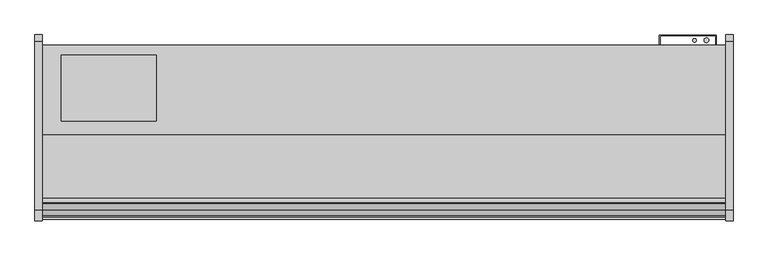
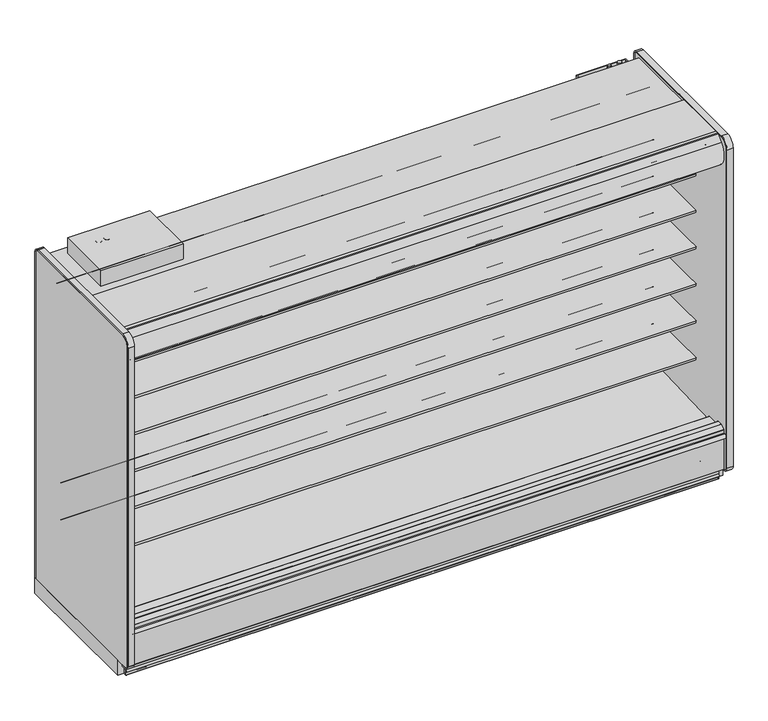
"""IFC4 building model written with IfcOpenShell, lengths in millimetres: proxy geometry."""

from ifc_helpers import new_model, si_unit, point, frame, frame_2d, origin, origin_with_axes, place, context, project, spatial, polyline, circle_curve, ellipse_curve, trimmed, segment, composite_curve, outline, extrude, source, transform, mapped, element, save
from ifc_brep_helpers import plane_surface, cylinder_surface, revolved_surface, advanced_brep


def mechanical_equipment_f1c0632d(model_context):
    return source(origin(), model_context, "Body", "SolidModel", [
        extrude(outline(composite_curve([segment(polyline([(-1274.0829637, 2251.075), (-1294.3336241, 2251.075)]), True, "CONTINUOUS"), segment(trimmed(circle_curve(frame_2d((-1294.3336241, 2246.6009255)), 4.4740745), [point((-1294.3336241, 2251.075))], [point((-1297.552004, 2249.7088788))], True, "CARTESIAN"), True, "CONTINUOUS"), segment(polyline([(-1297.552004, 2249.7088788), (-1332.8788425, 2213.1268666)]), True, "CONTINUOUS"), segment(trimmed(circle_curve(frame_2d((-1260.597853, 2143.3259263)), 100.4824), [point((-1332.8788425, 2213.1268666))], [point((-1341.3700905, 2203.0968084))], True, "CARTESIAN"), True, "CONTINUOUS"), segment(trimmed(circle_curve(frame_2d((-1260.597853, 2143.3259263)), 100.4824), [point((-1341.3700905, 2203.0968084))], [point((-1334.0860282, 2074.7970943))], True, "CARTESIAN"), True, "CONTINUOUS"), segment(trimmed(circle_curve(frame_2d((-1330.2592931, 2078.3655825)), 5.2324), [point((-1334.0860282, 2074.7970943))], [point((-1326.5594275, 2074.665717))], True, "CARTESIAN"), True, "CONTINUOUS"), segment(polyline([(-1326.5594275, 2074.665717), (-1319.9858801, 2081.2392645), (-1318.5490391, 2079.8024235), (-1325.1225866, 2073.228876)]), True, "CONTINUOUS"), segment(trimmed(circle_curve(frame_2d((-1330.2592931, 2078.3655825)), 7.2644), [point((-1325.1225866, 2073.228876))], [point((-1335.5721389, 2073.4112736))], False, "CARTESIAN"), True, "CONTINUOUS"), segment(trimmed(circle_curve(frame_2d((-1260.597853, 2143.3259263)), 102.5144), [point((-1335.5721389, 2073.4112736))], [point((-1334.340541, 2214.5384124))], False, "CARTESIAN"), True, "CONTINUOUS"), segment(polyline([(-1334.340541, 2214.5384124), (-1299.7047357, 2250.4048387)]), True, "CONTINUOUS"), segment(trimmed(circle_curve(frame_2d((-1294.4791637, 2245.3585624)), 7.2644), [point((-1299.7047357, 2250.4048387))], [point((-1294.4791637, 2252.6229624))], False, "CARTESIAN"), True, "CONTINUOUS"), segment(polyline([(-1294.4791637, 2252.6229624), (-1274.0829637, 2252.6229624), (-1274.0829637, 2251.075)]), True, "CONTINUOUS")], self_intersect=False)), frame((0.0, 0.0, 0.0), z_axis=(1.0, 0.0, 0.0), x_axis=(0.0, 1.0, 0.0)), (0.0, 0.0, 1.0), 3657.6),
        extrude(outline(composite_curve([segment(trimmed(circle_curve(frame_2d((-1254.7298559, 2115.8468051)), 11.1125), [point((-1265.8423507, 2115.8361068))], [point((-1243.617361, 2115.8575034))], False, "CARTESIAN"), True, "CONTINUOUS"), segment(trimmed(circle_curve(frame_2d((-1254.7298559, 2115.8468051)), 11.1125), [point((-1243.617361, 2115.8575034))], [point((-1265.8423507, 2115.8361068))], False, "CARTESIAN"), True, "CONTINUOUS")], self_intersect=False)), frame((0.0, 0.0, 0.0), z_axis=(1.0, 0.0, 0.0), x_axis=(0.0, 1.0, 0.0)), (0.0, 0.0, 1.0), 3657.6),
        extrude(outline(composite_curve([segment(trimmed(circle_curve(frame_2d((-1294.8804038, 2104.9918872)), 11.1125), [point((-1305.9928987, 2104.9811889))], [point((-1283.767909, 2105.0025854))], False, "CARTESIAN"), True, "CONTINUOUS"), segment(trimmed(circle_curve(frame_2d((-1294.8804038, 2104.9918872)), 11.1125), [point((-1283.767909, 2105.0025854))], [point((-1305.9928987, 2104.9811889))], False, "CARTESIAN"), True, "CONTINUOUS")], self_intersect=False)), frame((0.0, 0.0, 0.0), z_axis=(1.0, 0.0, 0.0), x_axis=(0.0, 1.0, 0.0)), (0.0, 0.0, 1.0), 3657.6),
        extrude(outline(polyline([(3302.0, -397.6671044), (3606.8, -397.6671044), (3606.8, -453.092873), (3603.625, -453.092873), (3603.625, -400.8421044), (3305.175, -400.8421044), (3305.175, -453.092873), (3302.0, -453.092873), (3302.0, -397.6671044)])), frame((0.0, 0.0, 237.9789513), z_axis=(0.0, 0.0, 1.0), x_axis=(1.0, 0.0, 0.0)), (0.0, 0.0, 1.0), 1972.9442436),
        extrude(outline(composite_curve([segment(polyline([(-450.2965273, 24.892), (-450.2965273, 5.1562)]), True, "CONTINUOUS"), segment(trimmed(circle_curve(frame_2d((-455.4527273, 5.1562)), 5.1562), [point((-450.2965273, 5.1562))], [point((-455.4527273, 0.0))], False, "CARTESIAN"), True, "CONTINUOUS"), segment(polyline([(-455.4527273, 0.0), (-490.3650273, 0.0)]), True, "CONTINUOUS"), segment(trimmed(circle_curve(frame_2d((-490.3650273, 5.1562)), 5.1562), [point((-490.3650273, 0.0))], [point((-495.5212273, 5.1562))], False, "CARTESIAN"), True, "CONTINUOUS"), segment(polyline([(-495.5212273, 5.1562), (-495.5212273, 19.7231)]), True, "CONTINUOUS"), segment(trimmed(circle_curve(frame_2d((-497.9088273, 19.7231)), 2.3876), [point((-495.5212273, 19.7231))], [point((-497.9088273, 22.1107))], True, "CARTESIAN"), True, "CONTINUOUS"), segment(polyline([(-497.9088273, 22.1107), (-509.1356273, 22.1107)]), True, "CONTINUOUS"), segment(trimmed(circle_curve(frame_2d((-509.1356273, 19.7231)), 2.3876), [point((-509.1356273, 22.1107))], [point((-511.5232273, 19.7231))], True, "CARTESIAN"), True, "CONTINUOUS"), segment(polyline([(-511.5232273, 19.7231), (-511.5232273, 4.2926), (-514.2918273, 4.2926), (-514.2918273, 19.7231)]), True, "CONTINUOUS"), segment(trimmed(circle_curve(frame_2d((-509.1356273, 19.7231)), 5.1562), [point((-514.2918273, 19.7231))], [point((-509.1356273, 24.8793))], False, "CARTESIAN"), True, "CONTINUOUS"), segment(polyline([(-509.1356273, 24.8793), (-497.9088273, 24.8793)]), True, "CONTINUOUS"), segment(trimmed(circle_curve(frame_2d((-497.9088273, 19.7231)), 5.1562), [point((-497.9088273, 24.8793))], [point((-492.7526273, 19.7231))], False, "CARTESIAN"), True, "CONTINUOUS"), segment(polyline([(-492.7526273, 19.7231), (-492.7526273, 5.1562)]), True, "CONTINUOUS"), segment(trimmed(circle_curve(frame_2d((-490.3650273, 5.1562)), 2.3876), [point((-492.7526273, 5.1562))], [point((-490.3650273, 2.7686))], True, "CARTESIAN"), True, "CONTINUOUS"), segment(polyline([(-490.3650273, 2.7686), (-455.4527273, 2.7686)]), True, "CONTINUOUS"), segment(trimmed(circle_curve(frame_2d((-455.4527273, 5.1562)), 2.3876), [point((-455.4527273, 2.7686))], [point((-453.0651273, 5.1562))], True, "CARTESIAN"), True, "CONTINUOUS"), segment(polyline([(-453.0651273, 5.1562), (-453.0651273, 24.892), (-450.2965273, 24.892)]), True, "CONTINUOUS")], self_intersect=False)), frame((0.0, 0.0, 0.0), z_axis=(1.0, 0.0, 0.0), x_axis=(0.0, 1.0, 0.0)), (0.0, 0.0, 1.0), 3657.6),
        extrude(outline(composite_curve([segment(polyline([(-1119.8151273, 105.16235), (-453.0963273, 105.16235), (-453.0963273, 5.1562)]), True, "CONTINUOUS"), segment(trimmed(circle_curve(frame_2d((-455.4839273, 5.1562)), 2.3876), [point((-453.0963273, 5.1562))], [point((-455.4839273, 2.7686))], False, "CARTESIAN"), True, "CONTINUOUS"), segment(polyline([(-455.4839273, 2.7686), (-488.0213273, 2.7686), (-488.0213273, 70.23735), (-1084.8901273, 70.23735), (-1084.8901273, 2.7686), (-1117.4275273, 2.7686)]), True, "CONTINUOUS"), segment(trimmed(circle_curve(frame_2d((-1117.4275273, 5.1562)), 2.3876), [point((-1117.4275273, 2.7686))], [point((-1119.8151273, 5.1562))], False, "CARTESIAN"), True, "CONTINUOUS"), segment(polyline([(-1119.8151273, 5.1562), (-1119.8151273, 105.16235)]), True, "CONTINUOUS")], self_intersect=False)), frame((0.0, 0.0, 0.0), z_axis=(1.0, 0.0, 0.0), x_axis=(0.0, 1.0, 0.0)), (0.0, 0.0, 1.0), 3657.6),
        extrude(outline(composite_curve([segment(trimmed(circle_curve(frame_2d((3457.2358045, -1169.1284613)), 12.7), [point((3444.5358045, -1169.1284613))], [point((3469.9358045, -1169.1284613))], False, "CARTESIAN"), True, "CONTINUOUS"), segment(trimmed(circle_curve(frame_2d((3457.2358045, -1169.1284613)), 12.7), [point((3469.9358045, -1169.1284613))], [point((3444.5358045, -1169.1284613))], False, "CARTESIAN"), True, "CONTINUOUS")], self_intersect=False)), origin_with_axes(), (0.0, 0.0, 1.0), 84.70392),
        extrude(outline(composite_curve([segment(trimmed(circle_curve(frame_2d((3413.4641955, -1169.1284613)), 9.525), [point((3403.9391955, -1169.1284613))], [point((3422.9891955, -1169.1284613))], False, "CARTESIAN"), True, "CONTINUOUS"), segment(trimmed(circle_curve(frame_2d((3413.4641955, -1169.1284613)), 9.525), [point((3422.9891955, -1169.1284613))], [point((3403.9391955, -1169.1284613))], False, "CARTESIAN"), True, "CONTINUOUS")], self_intersect=False)), origin_with_axes(), (0.0, 0.0, 1.0), 84.70392),
        extrude(outline(composite_curve([segment(trimmed(circle_curve(frame_2d((1828.8, -1177.0275273)), 38.1), [point((1790.7, -1177.0275273))], [point((1866.9, -1177.0275273))], False, "CARTESIAN"), True, "CONTINUOUS"), segment(trimmed(circle_curve(frame_2d((1828.8, -1177.0275273)), 38.1), [point((1866.9, -1177.0275273))], [point((1790.7, -1177.0275273))], False, "CARTESIAN"), True, "CONTINUOUS")], self_intersect=False)), origin_with_axes(), (0.0, 0.0, 1.0), 101.6),
        extrude(outline(composite_curve([segment(polyline([(-1303.8439273, 35.7124), (-1303.8439273, 56.3626001), (-1310.1939271, 58.3421778), (-1303.8439273, 70.6374), (-1303.8439273, 98.425)]), True, "CONTINUOUS"), segment(trimmed(circle_curve(frame_2d((-1303.1073273, 98.425)), 0.7366), [point((-1303.8439273, 98.425))], [point((-1303.1073273, 99.1616))], False, "CARTESIAN"), True, "CONTINUOUS"), segment(polyline([(-1303.1073273, 99.1616), (-1303.1073273, 1.524)]), True, "CONTINUOUS"), segment(trimmed(circle_curve(frame_2d((-1302.3199273, 1.524)), 0.7874), [point((-1303.1073273, 1.524))], [point((-1302.3199273, 0.7366))], True, "CARTESIAN"), True, "CONTINUOUS"), segment(polyline([(-1302.3199273, 0.7366), (-1299.2124308, 0.7366), (-1298.696658, 1.4732), (-1293.083258, 1.4732)]), True, "CONTINUOUS"), segment(trimmed(circle_curve(frame_2d((-1293.083258, 0.7366)), 0.7366), [point((-1293.083258, 1.4732))], [point((-1293.083258, 0.0))], False, "CARTESIAN"), True, "CONTINUOUS"), segment(polyline([(-1293.083258, 0.0), (-1302.3199273, 0.0)]), True, "CONTINUOUS"), segment(trimmed(circle_curve(frame_2d((-1302.3199273, 1.524)), 1.524), [point((-1302.3199273, 0.0))], [point((-1303.8439273, 1.524))], False, "CARTESIAN"), True, "CONTINUOUS"), segment(polyline([(-1303.8439273, 1.524), (-1303.8439273, 21.4376001), (-1310.1939271, 23.4171778), (-1303.8439273, 35.7124)]), True, "CONTINUOUS")], self_intersect=False)), frame((0.0, 0.0, 0.0), z_axis=(1.0, 0.0, 0.0), x_axis=(0.0, 1.0, 0.0)), (0.0, 0.0, 1.0), 3657.6),
        extrude(outline(composite_curve([segment(polyline([(-554.6455273, 571.5555799), (-573.0215473, 571.2431163)]), True, "CONTINUOUS"), segment(trimmed(circle_curve(frame_2d((-573.4533834, 596.6394451)), 25.4), [point((-573.0215473, 571.2431163))], [point((-589.4307397, 576.8939624))], False, "CARTESIAN"), True, "CONTINUOUS"), segment(polyline([(-589.4307397, 576.8939624), (-607.2828008, 591.339228)]), True, "CONTINUOUS"), segment(trimmed(circle_curve(frame_2d((-647.2261914, 541.9755212)), 63.5), [point((-607.2828008, 591.339228))], [point((-639.3283102, 604.9824531))], True, "CARTESIAN"), True, "CONTINUOUS"), segment(polyline([(-639.3283102, 604.9824531), (-929.9804321, 628.6795906), (-931.4692086, 632.1201427), (-1062.7611376, 632.1201427), (-1062.7611376, 646.3441427), (-554.6455273, 646.3441427), (-554.6455273, 571.5555799)]), True, "CONTINUOUS")], self_intersect=False)), frame((0.0, 0.0, 0.0), z_axis=(1.0, 0.0, 0.0), x_axis=(0.0, 1.0, 0.0)), (0.0, 0.0, 1.0), 3657.6),
        extrude(outline(composite_curve([segment(polyline([(-554.6455273, 812.8555799), (-573.0215473, 812.5431163)]), True, "CONTINUOUS"), segment(trimmed(circle_curve(frame_2d((-573.4533834, 837.9394451)), 25.4), [point((-573.0215473, 812.5431163))], [point((-589.4307397, 818.1939624))], False, "CARTESIAN"), True, "CONTINUOUS"), segment(polyline([(-589.4307397, 818.1939624), (-607.2828008, 832.639228)]), True, "CONTINUOUS"), segment(trimmed(circle_curve(frame_2d((-647.2261914, 783.2755212)), 63.5), [point((-607.2828008, 832.639228))], [point((-639.3283102, 846.2824531))], True, "CARTESIAN"), True, "CONTINUOUS"), segment(polyline([(-639.3283102, 846.2824531), (-929.9804321, 869.9795906), (-931.4692086, 873.4201427), (-1062.7611376, 873.4201427), (-1062.7611376, 887.6441427), (-554.6455273, 887.6441427), (-554.6455273, 812.8555799)]), True, "CONTINUOUS")], self_intersect=False)), frame((0.0, 0.0, 0.0), z_axis=(1.0, 0.0, 0.0), x_axis=(0.0, 1.0, 0.0)), (0.0, 0.0, 1.0), 3657.6),
        extrude(outline(composite_curve([segment(polyline([(-554.6455273, 1054.1555799), (-573.0215473, 1053.8431163)]), True, "CONTINUOUS"), segment(trimmed(circle_curve(frame_2d((-573.4533834, 1079.2394451)), 25.4), [point((-573.0215473, 1053.8431163))], [point((-589.4307397, 1059.4939624))], False, "CARTESIAN"), True, "CONTINUOUS"), segment(polyline([(-589.4307397, 1059.4939624), (-607.2828008, 1073.939228)]), True, "CONTINUOUS"), segment(trimmed(circle_curve(frame_2d((-647.2261914, 1024.5755212)), 63.5), [point((-607.2828008, 1073.939228))], [point((-639.3283102, 1087.5824531))], True, "CARTESIAN"), True, "CONTINUOUS"), segment(polyline([(-639.3283102, 1087.5824531), (-929.9804321, 1111.2795906), (-931.4692086, 1114.7201427), (-1062.7611376, 1114.7201427), (-1062.7611376, 1128.9441427), (-554.6455273, 1128.9441427), (-554.6455273, 1054.1555799)]), True, "CONTINUOUS")], self_intersect=False)), frame((0.0, 0.0, 0.0), z_axis=(1.0, 0.0, 0.0), x_axis=(0.0, 1.0, 0.0)), (0.0, 0.0, 1.0), 3657.6),
        extrude(outline(composite_curve([segment(polyline([(-554.6455273, 1295.5492695), (-573.0215473, 1295.2368059)]), True, "CONTINUOUS"), segment(trimmed(circle_curve(frame_2d((-573.4533834, 1320.6331347)), 25.4), [point((-573.0215473, 1295.2368059))], [point((-589.4307397, 1300.887652))], False, "CARTESIAN"), True, "CONTINUOUS"), segment(polyline([(-589.4307397, 1300.887652), (-607.2828008, 1315.3329175)]), True, "CONTINUOUS"), segment(trimmed(circle_curve(frame_2d((-647.2261914, 1265.9692108)), 63.5), [point((-607.2828008, 1315.3329175))], [point((-639.3283102, 1328.9761427))], True, "CARTESIAN"), True, "CONTINUOUS"), segment(polyline([(-639.3283102, 1328.9761427), (-929.9804321, 1352.6732801), (-931.4692086, 1356.1138322), (-1062.7611376, 1356.1138322), (-1062.7611376, 1370.3378322), (-554.6455273, 1370.3378322), (-554.6455273, 1295.5492695)]), True, "CONTINUOUS")], self_intersect=False)), frame((0.0, 0.0, 0.0), z_axis=(1.0, 0.0, 0.0), x_axis=(0.0, 1.0, 0.0)), (0.0, 0.0, 1.0), 3657.6),
        extrude(outline(composite_curve([segment(polyline([(-554.6455273, 1533.1653867), (-573.0215473, 1532.8529231)]), True, "CONTINUOUS"), segment(trimmed(circle_curve(frame_2d((-573.4533834, 1558.2492519)), 25.4), [point((-573.0215473, 1532.8529231))], [point((-589.4307397, 1538.5037692))], False, "CARTESIAN"), True, "CONTINUOUS"), segment(polyline([(-589.4307397, 1538.5037692), (-607.2828008, 1552.9490347)]), True, "CONTINUOUS"), segment(trimmed(circle_curve(frame_2d((-647.2261914, 1503.585328)), 63.5), [point((-607.2828008, 1552.9490347))], [point((-639.3283102, 1566.5922599))], True, "CARTESIAN"), True, "CONTINUOUS"), segment(polyline([(-639.3283102, 1566.5922599), (-929.9804321, 1590.2893973), (-931.4692086, 1593.7299494), (-1062.7611376, 1593.7299494), (-1062.7611376, 1607.9539494), (-554.6455273, 1607.9539494), (-554.6455273, 1533.1653867)]), True, "CONTINUOUS")], self_intersect=False)), frame((0.0, 0.0, 0.0), z_axis=(1.0, 0.0, 0.0), x_axis=(0.0, 1.0, 0.0)), (0.0, 0.0, 1.0), 3657.6),
        advanced_brep(
        [(3657.6, -1303.0997867, 105.16235), (3657.6, -1303.0997867, 12.46632), (3657.6, -1299.1373867, 8.50392), (3657.6, -1189.1400664, 8.50392), (3657.6, -1119.8463273, 27.0711214), (3657.6, -1119.8463273, 105.16235), (0.0, -1303.0997867, 105.16235), (0.0, -1119.8463273, 105.16235), (0.0, -1119.8463273, 27.0711214), (0.0, -1189.1400664, 8.50392), (0.0, -1299.1373867, 8.50392), (0.0, -1303.0997867, 12.46632), (127.0, -1303.0997867, 12.46632), (127.0, -1303.0997867, 70.23735), (638.175, -1303.0997867, 70.23735), (638.175, -1303.0997867, 12.46632), (638.175, -1299.1373867, 8.50392), (127.0, -1299.1373867, 8.50392), (638.175, -1291.5558487, 8.50392), (638.9243384, -1291.5558487, 8.50392), (638.9243384, -1191.2766487, 8.50392), (127.0127384, -1191.2766487, 8.50392), (1779.4651604, -1189.1400664, 8.50392), (1878.1348396, -1189.1400664, 8.50392), (3389.3885281, -1189.1400664, 8.50392), (3481.3114719, -1189.1400664, 8.50392), (3452.9433681, -1119.8463273, 27.0711214), (3452.9433681, -1119.8463273, 101.6), (3417.7566319, -1119.8463273, 101.6), (3417.7566319, -1119.8463273, 27.0711214), (127.0, -1291.5558487, 70.23735), (638.175, -1291.5558487, 70.23735), (127.0, -1191.2766487, 84.70392), (127.0, -1291.5558487, 84.70392), (3486.15, -1167.5025273, 14.3016811), (3384.55, -1167.5025273, 14.3016811), (1879.6, -1177.0275273, 11.7494651), (1778.0, -1177.0275273, 11.7494651), (3486.15, -1167.5025273, 101.6), (3384.55, -1167.5025273, 101.6), (1778.0, -1177.0275273, 101.6), (1879.6, -1177.0275273, 101.6), (638.9243384, -1191.2766487, 84.70392), (638.9243384, -1291.5558487, 84.70392)],
        [
            (0, 1),
            (1, 2, circle_curve(frame((3657.6, -1299.1373867, 12.46632), z_axis=(1.0, 0.0, 0.0), x_axis=(0.0, 1.0, 0.0)), 3.9624)),
            (2, 3),
            (3, 4),
            (4, 5),
            (5, 0),
            (6, 7),
            (7, 8),
            (8, 9),
            (9, 10),
            (10, 11, circle_curve(frame((0.0, -1299.1373867, 12.46632), z_axis=(-1.0, 0.0, 0.0), x_axis=(0.0, 1.0, 0.0)), 3.9624)),
            (11, 6),
            (0, 6),
            (11, 12),
            (12, 13),
            (13, 14),
            (14, 15),
            (15, 1),
            (15, 16, circle_curve(frame((638.175, -1299.1373867, 12.46632), z_axis=(1.0, 0.0, 0.0), x_axis=(0.0, 1.0, 0.0)), 3.9624)),
            (16, 2),
            (10, 17),
            (17, 12, circle_curve(frame((127.0, -1299.1373867, 12.46632), z_axis=(-1.0, 0.0, 0.0), x_axis=(0.0, 1.0, 0.0)), 3.9624)),
            (16, 18),
            (18, 19),
            (19, 20),
            (20, 21),
            (21, 17),
            (9, 22),
            (22, 23, circle_curve(frame((1828.8, -1177.0275273, 8.50392), z_axis=(0.0, 0.0, 1.0), x_axis=(1.0, 0.0, 0.0)), 50.8)),
            (23, 24),
            (24, 25, circle_curve(frame((3435.35, -1167.5025273, 8.50392), z_axis=(0.0, 0.0, 1.0), x_axis=(1.0, 0.0, 0.0)), 50.8)),
            (25, 3),
            (4, 26),
            (26, 27),
            (27, 28),
            (28, 29),
            (29, 8),
            (7, 5),
            (13, 30),
            (30, 31),
            (31, 14),
            (21, 32),
            (32, 33),
            (33, 30),
            (31, 18),
            (25, 34, ellipse_curve(frame((3435.35, -1167.5025273, 14.3016811), z_axis=(0.0, -0.2588190451025241, 0.9659258262890674), x_axis=(0.0, 0.9659258262890675, 0.25881904510252396)), 52.59203, 50.8)),
            (34, 26, ellipse_curve(frame((3435.35, -1167.5025273, 14.3016811), z_axis=(0.0, -0.2588190451025241, 0.9659258262890674), x_axis=(0.0, 0.9659258262890675, 0.25881904510252396)), 52.59203, 50.8)),
            (29, 35, ellipse_curve(frame((3435.35, -1167.5025273, 14.3016811), z_axis=(0.0, -0.2588190451025241, 0.9659258262890674), x_axis=(0.0, 0.9659258262890675, 0.25881904510252396)), 52.59203, 50.8)),
            (35, 24, ellipse_curve(frame((3435.35, -1167.5025273, 14.3016811), z_axis=(0.0, -0.2588190451025241, 0.9659258262890674), x_axis=(0.0, 0.9659258262890675, 0.25881904510252396)), 52.59203, 50.8)),
            (23, 36, ellipse_curve(frame((1828.8, -1177.0275273, 11.7494651), z_axis=(0.0, -0.2588190451025241, 0.9659258262890674), x_axis=(0.0, 0.9659258262890675, 0.25881904510252396)), 52.59203, 50.8)),
            (36, 37, ellipse_curve(frame((1828.8, -1177.0275273, 11.7494651), z_axis=(0.0, -0.2588190451025241, 0.9659258262890674), x_axis=(0.0, 0.9659258262890675, 0.25881904510252396)), 52.59203, 50.8)),
            (37, 22, ellipse_curve(frame((1828.8, -1177.0275273, 11.7494651), z_axis=(0.0, -0.2588190451025241, 0.9659258262890674), x_axis=(0.0, 0.9659258262890675, 0.25881904510252396)), 52.59203, 50.8)),
            (38, 39, circle_curve(frame((3435.35, -1167.5025273, 101.6), z_axis=(0.0, 0.0, -1.0), x_axis=(1.0, 0.0, 0.0)), 50.8)),
            (39, 28, circle_curve(frame((3435.35, -1167.5025273, 101.6), z_axis=(0.0, 0.0, -1.0), x_axis=(1.0, 0.0, 0.0)), 50.8)),
            (27, 38, circle_curve(frame((3435.35, -1167.5025273, 101.6), z_axis=(0.0, 0.0, -1.0), x_axis=(1.0, 0.0, 0.0)), 50.8)),
            (38, 34),
            (35, 39),
            (40, 41, circle_curve(frame((1828.8, -1177.0275273, 101.6), z_axis=(0.0, 0.0, -1.0), x_axis=(1.0, 0.0, 0.0)), 50.8)),
            (41, 40, circle_curve(frame((1828.8, -1177.0275273, 101.6), z_axis=(0.0, 0.0, -1.0), x_axis=(1.0, 0.0, 0.0)), 50.8)),
            (41, 36),
            (37, 40),
            (42, 43),
            (43, 33),
            (32, 42),
            (20, 42),
            (43, 19),
        ],
        [
            plane_surface(frame((3657.6, -1303.0997867, 12.46632), z_axis=(1.0, 0.0, 0.0), x_axis=(0.0, 0.0, -1.0))),
            plane_surface(frame((0.0, -1303.0997867, 12.46632), z_axis=(-1.0, 0.0, 0.0), x_axis=(0.0, 0.0, 1.0))),
            plane_surface(frame((3657.6, -1303.0997867, 105.16235), z_axis=(0.0, -1.0, 0.0), x_axis=(-1.0, 0.0, 0.0))),
            cylinder_surface(frame((0.0, -1299.1373867, 12.46632), z_axis=(1.0, 0.0, 0.0), x_axis=(0.0, 1.0, 0.0)), 3.9624),
            plane_surface(frame((3657.6, -1299.1373867, 8.50392), z_axis=(0.0, 0.0, -1.0), x_axis=(-1.0, 0.0, 0.0))),
            plane_surface(frame((3657.6, -1119.8463273, 27.0711214), z_axis=(0.0, 1.0, 0.0), x_axis=(-1.0, 0.0, 0.0))),
            plane_surface(frame((3657.6, -1119.8463273, 105.16235), z_axis=(0.0, 0.0, 1.0), x_axis=(-1.0, 0.0, 0.0))),
            plane_surface(frame((127.0, -1266.0481044, 70.23735), z_axis=(0.0, 0.0, -1.0), x_axis=(-1.0, 0.0, 0.0))),
            plane_surface(frame((127.0, -1266.0481044, 70.23735), z_axis=(1.0, 0.0, 0.0), x_axis=(0.0, 0.0, -1.0))),
            plane_surface(frame((638.175, -1367.6481044, 70.23735), z_axis=(-1.0, 0.0, 0.0), x_axis=(0.0, 0.0, -1.0))),
            plane_surface(frame((3657.6, -1189.1400664, 8.50392), z_axis=(0.0, 0.2588190451025241, -0.9659258262890674), x_axis=(-1.0, 0.0, 0.0))),
            plane_surface(frame((3486.15, -1167.5025273, 101.6), z_axis=(0.0, 0.0, -1.0), x_axis=(0.0, 1.0, 0.0))),
            revolved_surface(polyline([(3486.15, -1167.5025273, 101.6), (3486.15, -1167.5025273, 0.689862115396707)]), (3435.35, -1167.5025273, 0.0), (0.0, 0.0, 1.0)),
            plane_surface(frame((1879.6, -1177.0275273, 101.6), z_axis=(0.0, 0.0, -1.0), x_axis=(0.0, 1.0, 0.0))),
            revolved_surface(polyline([(1879.6, -1177.0275273, 101.6), (1879.6, -1177.0275273, -1.8623538846032925)]), (1828.8, -1177.0275273, 0.0), (0.0, 0.0, 1.0)),
            plane_surface(frame((638.9243384, -1191.2766487, 84.70392), z_axis=(0.0, 0.0, -1.0), x_axis=(-1.0, 0.0, 0.0))),
            plane_surface(frame((638.9243384, -1191.2766487, 84.70392), z_axis=(0.0, -1.0, 0.0), x_axis=(0.0, 0.0, -1.0))),
            plane_surface(frame((127.0127384, -1291.5558487, 84.70392), z_axis=(0.0, 1.0, 0.0), x_axis=(0.0, 0.0, -1.0))),
            plane_surface(frame((638.9243384, -1291.5558487, 84.70392), z_axis=(-1.0, 0.0, 0.0), x_axis=(0.0, 0.0, -1.0))),
        ],
        [
            (0, [[1, 2, 3, 4, 5, 6]]),
            (1, [[7, 8, 9, 10, 11, 12]]),
            (2, [[-1, 13, -12, 14, 15, 16, 17, 18]]),
            (3, [[-2, -18, 19, 20]]),
            (3, [[-11, 21, 22, -14]]),
            (4, [[-3, -20, 23, 24, 25, 26, 27, -21, -10, 28, 29, 30, 31, 32]]),
            (5, [[-5, 33, 34, 35, 36, 37, -8, 38]]),
            (6, [[-6, -38, -7, -13]]),
            (7, [[-16, 39, 40, 41]]),
            (8, [[-15, -22, -27, 42, 43, 44, -39]]),
            (9, [[-17, -41, 45, -23, -19]]),
            (10, [[-4, -32, 46, 47, -33]]),
            (10, [[-9, -37, 48, 49, -30, 50, 51, 52, -28]]),
            (11, [[53, 54, -35, 55]]),
            (12, [[-53, 56, -46, -31, -49, 57]]),
            (12, [[-54, -57, -48, -36]]),
            (12, [[-55, -34, -47, -56]]),
            (13, [[58, 59]]),
            (14, [[-59, 60, -50, -29, -52, 61]]),
            (14, [[-58, -61, -51, -60]]),
            (15, [[62, 63, -43, 64]]),
            (16, [[-64, -42, -26, 65]]),
            (17, [[-63, 66, -24, -45, -40, -44]]),
            (18, [[-62, -65, -25, -66]]),
        ],
    ),
        extrude(outline(polyline([(609.6, -504.1009236), (609.6, -859.7009236), (101.6, -859.7009236), (101.6, -504.1009236), (609.6, -504.1009236)])), frame((0.0, 0.0, 2232.3361513), z_axis=(0.0, 0.0, 1.0), x_axis=(1.0, 0.0, 0.0)), (0.0, 0.0, 1.0), 102.0572),
        extrude(outline(composite_curve([segment(polyline([(-1293.5729007, 2251.075), (-934.1551117, 2251.075), (-934.1551117, 2232.3361513), (-1233.3111299, 2232.3361513), (-1233.3111299, 2181.5361513), (-1172.9211148, 2181.5361513), (-1172.9211148, 2141.5126887), (-1209.2283755, 2128.2979266), (-1234.168471, 2139.9276841), (-1337.9651096, 2112.1154586), (-1337.9651096, 2081.6913231)]), True, "CONTINUOUS"), segment(trimmed(circle_curve(frame_2d((-1336.3776096, 2081.6913231)), 1.5875), [point((-1337.9651096, 2081.6913231))], [point((-1336.894449, 2080.1903123))], True, "CARTESIAN"), True, "CONTINUOUS"), segment(polyline([(-1336.894449, 2080.1903123), (-1326.7029612, 2076.6811017)]), True, "CONTINUOUS"), segment(trimmed(circle_curve(frame_2d((-1326.1861218, 2078.1821124)), 1.5875), [point((-1326.7029612, 2076.6811017))], [point((-1325.0635898, 2077.0595804))], True, "CARTESIAN"), True, "CONTINUOUS"), segment(polyline([(-1325.0635898, 2077.0595804), (-1321.7176418, 2080.4055284)]), True, "CONTINUOUS"), segment(trimmed(circle_curve(frame_2d((-1321.4931354, 2080.181022)), 0.3175), [point((-1321.7176418, 2080.4055284))], [point((-1321.268629, 2079.9565156))], False, "CARTESIAN"), True, "CONTINUOUS"), segment(polyline([(-1321.268629, 2079.9565156), (-1324.614577, 2076.6105676)]), True, "CONTINUOUS"), segment(trimmed(circle_curve(frame_2d((-1326.1861218, 2078.1821124)), 2.2225), [point((-1324.614577, 2076.6105676))], [point((-1326.909697, 2076.0806974))], False, "CARTESIAN"), True, "CONTINUOUS"), segment(polyline([(-1326.909697, 2076.0806974), (-1337.1011848, 2079.589908)]), True, "CONTINUOUS"), segment(trimmed(circle_curve(frame_2d((-1336.3776096, 2081.6913231)), 2.2225), [point((-1337.1011848, 2079.589908))], [point((-1338.6001096, 2081.6913231))], False, "CARTESIAN"), True, "CONTINUOUS"), segment(polyline([(-1338.6001096, 2081.6913231), (-1338.6001096, 2183.9920746), (-1305.0029007, 2231.9738616), (-1305.0029007, 2235.9097624), (-1293.5729007, 2247.0095624), (-1293.5729007, 2251.075)]), True, "CONTINUOUS")], self_intersect=False)), frame((0.0, 0.0, 0.0), z_axis=(1.0, 0.0, 0.0), x_axis=(0.0, 1.0, 0.0)), (0.0, 0.0, 1.0), 3657.6),
        extrude(outline(polyline([(3657.6, -1071.1044468), (3657.6, -1172.7417116), (0.0, -1172.7417116), (0.0, -1071.1044468), (3657.6, -1071.1044468)])), frame((0.0, 0.0, 2101.0299563), z_axis=(0.0, 0.0, 1.0), x_axis=(1.0, 0.0, 0.0)), (0.0, 0.0, 1.0), 25.4560927),
        extrude(outline(composite_curve([segment(polyline([(-554.6455273, 1770.7815039), (-573.0215473, 1770.4690403)]), True, "CONTINUOUS"), segment(trimmed(circle_curve(frame_2d((-573.4533834, 1795.8653691)), 25.4), [point((-573.0215473, 1770.4690403))], [point((-589.4307397, 1776.1198864))], False, "CARTESIAN"), True, "CONTINUOUS"), segment(polyline([(-589.4307397, 1776.1198864), (-607.2828008, 1790.5651519)]), True, "CONTINUOUS"), segment(trimmed(circle_curve(frame_2d((-647.2261914, 1741.2014452)), 63.5), [point((-607.2828008, 1790.5651519))], [point((-639.3283102, 1804.2083771))], True, "CARTESIAN"), True, "CONTINUOUS"), segment(polyline([(-639.3283102, 1804.2083771), (-929.9804321, 1827.9055145), (-931.4692086, 1831.3460666), (-1062.7611376, 1831.3460666), (-1062.7611376, 1845.5700666), (-554.6455273, 1845.5700666), (-554.6455273, 1770.7815039)]), True, "CONTINUOUS")], self_intersect=False)), frame((0.0, 0.0, 0.0), z_axis=(1.0, 0.0, 0.0), x_axis=(0.0, 1.0, 0.0)), (0.0, 0.0, 1.0), 3657.6),
        extrude(outline(composite_curve([segment(polyline([(-1360.3589273, 323.2962194), (-1361.930148, 323.2962194), (-1361.930148, 357.3196168)]), True, "CONTINUOUS"), segment(trimmed(circle_curve(frame_2d((-1360.355348, 357.3196168)), 1.5748), [point((-1361.930148, 357.3196168))], [point((-1361.142748, 358.6834336))], False, "CARTESIAN"), True, "CONTINUOUS"), segment(polyline([(-1361.142748, 358.6834336), (-1332.5247609, 375.2060362)]), True, "CONTINUOUS"), segment(trimmed(circle_curve(frame_2d((-1331.7373609, 373.8422194)), 1.5748), [point((-1332.5247609, 375.2060362))], [point((-1331.7373609, 375.4170194))], False, "CARTESIAN"), True, "CONTINUOUS"), segment(polyline([(-1331.7373609, 375.4170194), (-1299.3544364, 375.4170194)]), True, "CONTINUOUS"), segment(trimmed(circle_curve(frame_2d((-1299.3544364, 373.8422194)), 1.5748), [point((-1299.3544364, 375.4170194))], [point((-1297.7796364, 373.8422194))], False, "CARTESIAN"), True, "CONTINUOUS"), segment(polyline([(-1297.7796364, 373.8422194), (-1297.7796364, 358.0341924), (-1346.7518336, 358.0341924), (-1346.7518336, 105.16235), (-1303.0997867, 105.16235), (-1303.0997867, 98.81235), (-1360.3589273, 98.81235), (-1360.3589273, 323.2962194)]), True, "CONTINUOUS")], self_intersect=False)), frame((0.0, 0.0, 0.0), z_axis=(1.0, 0.0, 0.0), x_axis=(0.0, 1.0, 0.0)), (0.0, 0.0, 1.0), 3657.6),
        extrude(outline(composite_curve([segment(polyline([(-503.1482973, 185.8742407), (-1297.1696071, 157.0280151), (-1297.1696071, 347.5376575), (-1208.140472, 350.6466237)]), True, "CONTINUOUS"), segment(trimmed(circle_curve(frame_2d((-1208.0722155, 348.6920151)), 1.9558), [point((-1208.140472, 350.6466237))], [point((-1206.1176069, 348.7602715))], False, "CARTESIAN"), True, "CONTINUOUS"), segment(polyline([(-1206.1176069, 348.7602715), (-1205.2658029, 324.3677965), (-590.0118979, 347.9015896), (-581.1166683, 357.4405555)]), True, "CONTINUOUS"), segment(trimmed(circle_curve(frame_2d((-580.0020853, 356.40119)), 1.524), [point((-581.1166683, 357.4405555))], [point((-580.0552721, 357.9242616))], False, "CARTESIAN"), True, "CONTINUOUS"), segment(polyline([(-580.0552721, 357.9242616), (-554.6455273, 358.8115894), (-554.6455273, 237.9789513), (-503.1482973, 237.9789513), (-503.1482973, 185.8742407)]), True, "CONTINUOUS")], self_intersect=False)), frame((0.0, 0.0, 0.0), z_axis=(1.0, 0.0, 0.0), x_axis=(0.0, 1.0, 0.0)), (0.0, 0.0, 1.0), 3657.6),
        extrude(outline(composite_curve([segment(polyline([(-553.9170797, 2180.3044558), (-553.9170797, 2177.6473266), (-503.1482973, 2177.6473266), (-503.1482973, 237.9789513), (-554.6455273, 237.9789513), (-554.6455273, 2088.6930061)]), True, "CONTINUOUS"), segment(trimmed(circle_curve(frame_2d((-580.092873, 2088.2737013)), 25.4508), [point((-554.6455273, 2088.6930061))], [point((-580.092873, 2113.7245013))], True, "CARTESIAN"), True, "CONTINUOUS"), segment(polyline([(-580.092873, 2113.7245013), (-646.971073, 2113.7245013), (-646.971073, 2128.8629013), (-1070.3912573, 2128.8629013), (-1070.3912573, 2101.8119013)]), True, "CONTINUOUS"), segment(trimmed(circle_curve(frame_2d((-1071.9152573, 2101.8119013)), 1.524), [point((-1070.3912573, 2101.8119013))], [point((-1071.9152573, 2100.2879013))], False, "CARTESIAN"), True, "CONTINUOUS"), segment(polyline([(-1071.9152573, 2100.2879013), (-1082.3038573, 2100.2879013), (-1082.3038573, 2101.1384913), (-1071.1044468, 2101.1384913), (-1071.1044468, 2126.4860489), (-1172.7417116, 2126.4860489), (-1172.7417116, 2101.1832513), (-1162.3024273, 2101.1832513), (-1162.3024273, 2100.3895013), (-1172.0948146, 2100.3895013)]), True, "CONTINUOUS"), segment(trimmed(circle_curve(frame_2d((-1172.0948146, 2101.7095178)), 1.3200165), [point((-1172.0948146, 2100.3895013))], [point((-1173.4148311, 2101.7095178))], False, "CARTESIAN"), True, "CONTINUOUS"), segment(polyline([(-1173.4148311, 2101.7095178), (-1173.4148311, 2180.3044558), (-553.9170797, 2180.3044558)]), True, "CONTINUOUS")], self_intersect=False)), frame((0.0, 0.0, 0.0), z_axis=(1.0, 0.0, 0.0), x_axis=(0.0, 1.0, 0.0)), (0.0, 0.0, 1.0), 3657.6),
        extrude(outline(polyline([(-453.092873, 2232.3361513), (-453.092873, 304.27295), (-503.1482973, 304.27295), (-503.1482973, 2180.3044558), (-1233.3111299, 2180.3044558), (-1233.3111299, 2232.3361513), (-453.092873, 2232.3361513)])), frame((0.0, 0.0, 0.0), z_axis=(1.0, 0.0, 0.0), x_axis=(0.0, 1.0, 0.0)), (0.0, 0.0, 1.0), 3657.6),
        extrude(outline(polyline([(-1346.7518336, 105.16235), (-1346.7518336, 358.0341924), (-1297.1696071, 358.0341924), (-1297.1696071, 157.0280151), (-503.1482973, 185.8742407), (-503.1482973, 304.27295), (-453.092873, 304.27295), (-453.092873, 105.16235), (-1346.7518336, 105.16235)])), frame((0.0, 0.0, 0.0), z_axis=(1.0, 0.0, 0.0), x_axis=(0.0, 1.0, 0.0)), (0.0, 0.0, 1.0), 3657.6),
        extrude(outline(composite_curve([segment(polyline([(-1122.6149273, 24.892), (-1119.8463273, 24.892), (-1119.8463273, 5.1562)]), True, "CONTINUOUS"), segment(trimmed(circle_curve(frame_2d((-1117.4587273, 5.1562)), 2.3876), [point((-1119.8463273, 5.1562))], [point((-1117.4587273, 2.7686))], True, "CARTESIAN"), True, "CONTINUOUS"), segment(polyline([(-1117.4587273, 2.7686), (-1082.5464273, 2.7686)]), True, "CONTINUOUS"), segment(trimmed(circle_curve(frame_2d((-1082.5464273, 5.1562)), 2.3876), [point((-1082.5464273, 2.7686))], [point((-1080.1588273, 5.1562))], True, "CARTESIAN"), True, "CONTINUOUS"), segment(polyline([(-1080.1588273, 5.1562), (-1080.1588273, 19.7231)]), True, "CONTINUOUS"), segment(trimmed(circle_curve(frame_2d((-1075.0026273, 19.7231)), 5.1562), [point((-1080.1588273, 19.7231))], [point((-1075.0026273, 24.8793))], False, "CARTESIAN"), True, "CONTINUOUS"), segment(polyline([(-1075.0026273, 24.8793), (-1063.7758273, 24.8793)]), True, "CONTINUOUS"), segment(trimmed(circle_curve(frame_2d((-1063.7758273, 19.7231)), 5.1562), [point((-1063.7758273, 24.8793))], [point((-1058.6196273, 19.7231))], False, "CARTESIAN"), True, "CONTINUOUS"), segment(polyline([(-1058.6196273, 19.7231), (-1058.6196273, 4.2926), (-1061.3882273, 4.2926), (-1061.3882273, 19.7231)]), True, "CONTINUOUS"), segment(trimmed(circle_curve(frame_2d((-1063.7758273, 19.7231)), 2.3876), [point((-1061.3882273, 19.7231))], [point((-1063.7758273, 22.1107))], True, "CARTESIAN"), True, "CONTINUOUS"), segment(polyline([(-1063.7758273, 22.1107), (-1075.0026273, 22.1107)]), True, "CONTINUOUS"), segment(trimmed(circle_curve(frame_2d((-1075.0026273, 19.7231)), 2.3876), [point((-1075.0026273, 22.1107))], [point((-1077.3902273, 19.7231))], True, "CARTESIAN"), True, "CONTINUOUS"), segment(polyline([(-1077.3902273, 19.7231), (-1077.3902273, 5.1562)]), True, "CONTINUOUS"), segment(trimmed(circle_curve(frame_2d((-1082.5464273, 5.1562)), 5.1562), [point((-1077.3902273, 5.1562))], [point((-1082.5464273, 0.0))], False, "CARTESIAN"), True, "CONTINUOUS"), segment(polyline([(-1082.5464273, 0.0), (-1117.4587273, 0.0)]), True, "CONTINUOUS"), segment(trimmed(circle_curve(frame_2d((-1117.4587273, 5.1562)), 5.1562), [point((-1117.4587273, 0.0))], [point((-1122.6149273, 5.1562))], False, "CARTESIAN"), True, "CONTINUOUS"), segment(polyline([(-1122.6149273, 5.1562), (-1122.6149273, 24.892)]), True, "CONTINUOUS")], self_intersect=False)), frame((0.0, 0.0, 0.0), z_axis=(1.0, 0.0, 0.0), x_axis=(0.0, 1.0, 0.0)), (0.0, 0.0, 1.0), 3657.6),
        extrude(outline(polyline([(3695.7, -396.6376835), (3695.7, -1282.7829644), (3657.6, -1282.7829644), (3657.6, -396.6376835), (3695.7, -396.6376835)])), origin_with_axes(), (0.0, 0.0, 1.0), 98.81235),
        extrude(outline(composite_curve([segment(polyline([(-429.6775273, 2251.075), (-1333.5174682, 2251.075)]), True, "CONTINUOUS"), segment(trimmed(circle_curve(frame_2d((-1333.5174682, 2200.275)), 50.8), [point((-1333.5174682, 2251.075))], [point((-1384.3174682, 2200.275))], True, "CARTESIAN"), True, "CONTINUOUS"), segment(polyline([(-1384.3174682, 2200.275), (-1384.3174682, 124.21235)]), True, "CONTINUOUS"), segment(trimmed(circle_curve(frame_2d((-1358.9174682, 124.21235)), 25.4), [point((-1384.3174682, 124.21235))], [point((-1358.9174682, 98.81235))], True, "CARTESIAN"), True, "CONTINUOUS"), segment(polyline([(-1358.9174682, 98.81235), (-1332.5009969, 98.81235), (-1332.5009969, 91.1725063), (-1358.9174682, 91.1725063)]), True, "CONTINUOUS"), segment(trimmed(circle_curve(frame_2d((-1358.9174682, 124.21235)), 33.0398437), [point((-1358.9174682, 91.1725063))], [point((-1391.957312, 124.21235))], False, "CARTESIAN"), True, "CONTINUOUS"), segment(polyline([(-1391.957312, 124.21235), (-1391.957312, 2200.275)]), True, "CONTINUOUS"), segment(trimmed(circle_curve(frame_2d((-1333.5174682, 2200.275)), 58.4398437), [point((-1391.957312, 2200.275))], [point((-1333.5174682, 2258.7148438))], False, "CARTESIAN"), True, "CONTINUOUS"), segment(polyline([(-1333.5174682, 2258.7148438), (-429.6775273, 2258.7148438)]), True, "CONTINUOUS"), segment(trimmed(circle_curve(frame_2d((-429.6775273, 2225.675)), 33.0398438), [point((-429.6775273, 2258.7148438))], [point((-396.6376835, 2225.675))], False, "CARTESIAN"), True, "CONTINUOUS"), segment(polyline([(-396.6376835, 2225.675), (-396.6376835, 98.81235), (-404.2775273, 98.81235), (-404.2775273, 2225.675)]), True, "CONTINUOUS"), segment(trimmed(circle_curve(frame_2d((-429.6775273, 2225.675)), 25.4), [point((-404.2775273, 2225.675))], [point((-429.6775273, 2251.075))], True, "CARTESIAN"), True, "CONTINUOUS")], self_intersect=False)), frame((3657.6, 0.0, 0.0), z_axis=(1.0, 0.0, 0.0), x_axis=(0.0, 1.0, 0.0)), (0.0, 0.0, 1.0), 38.1),
        extrude(outline(composite_curve([segment(trimmed(circle_curve(frame_2d((-429.6775273, 2225.675)), 25.4), [point((-429.6775273, 2251.075))], [point((-404.2775273, 2225.675))], False, "CARTESIAN"), True, "CONTINUOUS"), segment(polyline([(-404.2775273, 2225.675), (-404.2775273, 98.81235), (-1358.9174682, 98.81235)]), True, "CONTINUOUS"), segment(trimmed(circle_curve(frame_2d((-1358.9174682, 124.21235)), 25.4), [point((-1358.9174682, 98.81235))], [point((-1384.3174682, 124.21235))], False, "CARTESIAN"), True, "CONTINUOUS"), segment(polyline([(-1384.3174682, 124.21235), (-1384.3174682, 2200.275)]), True, "CONTINUOUS"), segment(trimmed(circle_curve(frame_2d((-1333.5174682, 2200.275)), 50.8), [point((-1384.3174682, 2200.275))], [point((-1333.5174682, 2251.075))], False, "CARTESIAN"), True, "CONTINUOUS"), segment(polyline([(-1333.5174682, 2251.075), (-429.6775273, 2251.075)]), True, "CONTINUOUS")], self_intersect=False)), frame((3657.6, 0.0, 0.0), z_axis=(1.0, 0.0, 0.0), x_axis=(0.0, 1.0, 0.0)), (0.0, 0.0, 1.0), 38.1),
        extrude(outline(polyline([(0.0, -396.6376835), (0.0, -1282.7829644), (-38.1, -1282.7829644), (-38.1, -396.6376835), (0.0, -396.6376835)])), origin_with_axes(), (0.0, 0.0, 1.0), 98.81235),
        extrude(outline(composite_curve([segment(polyline([(-429.6775273, 2251.075), (-1333.5174682, 2251.075)]), True, "CONTINUOUS"), segment(trimmed(circle_curve(frame_2d((-1333.5174682, 2200.275)), 50.8), [point((-1333.5174682, 2251.075))], [point((-1384.3174682, 2200.275))], True, "CARTESIAN"), True, "CONTINUOUS"), segment(polyline([(-1384.3174682, 2200.275), (-1384.3174682, 124.21235)]), True, "CONTINUOUS"), segment(trimmed(circle_curve(frame_2d((-1358.9174682, 124.21235)), 25.4), [point((-1384.3174682, 124.21235))], [point((-1358.9174682, 98.81235))], True, "CARTESIAN"), True, "CONTINUOUS"), segment(polyline([(-1358.9174682, 98.81235), (-1332.5009969, 98.81235), (-1332.5009969, 91.1725063), (-1358.9174682, 91.1725063)]), True, "CONTINUOUS"), segment(trimmed(circle_curve(frame_2d((-1358.9174682, 124.21235)), 33.0398437), [point((-1358.9174682, 91.1725063))], [point((-1391.957312, 124.21235))], False, "CARTESIAN"), True, "CONTINUOUS"), segment(polyline([(-1391.957312, 124.21235), (-1391.957312, 2200.275)]), True, "CONTINUOUS"), segment(trimmed(circle_curve(frame_2d((-1333.5174682, 2200.275)), 58.4398437), [point((-1391.957312, 2200.275))], [point((-1333.5174682, 2258.7148438))], False, "CARTESIAN"), True, "CONTINUOUS"), segment(polyline([(-1333.5174682, 2258.7148438), (-429.6775273, 2258.7148438)]), True, "CONTINUOUS"), segment(trimmed(circle_curve(frame_2d((-429.6775273, 2225.675)), 33.0398438), [point((-429.6775273, 2258.7148438))], [point((-396.6376835, 2225.675))], False, "CARTESIAN"), True, "CONTINUOUS"), segment(polyline([(-396.6376835, 2225.675), (-396.6376835, 98.81235), (-404.2775273, 98.81235), (-404.2775273, 2225.675)]), True, "CONTINUOUS"), segment(trimmed(circle_curve(frame_2d((-429.6775273, 2225.675)), 25.4), [point((-404.2775273, 2225.675))], [point((-429.6775273, 2251.075))], True, "CARTESIAN"), True, "CONTINUOUS")], self_intersect=False)), frame((-38.1, 0.0, 0.0), z_axis=(1.0, 0.0, 0.0), x_axis=(0.0, 1.0, 0.0)), (0.0, 0.0, 1.0), 38.1),
        extrude(outline(composite_curve([segment(trimmed(circle_curve(frame_2d((-429.6775273, 2225.675)), 25.4), [point((-429.6775273, 2251.075))], [point((-404.2775273, 2225.675))], False, "CARTESIAN"), True, "CONTINUOUS"), segment(polyline([(-404.2775273, 2225.675), (-404.2775273, 98.81235), (-1358.9174682, 98.81235)]), True, "CONTINUOUS"), segment(trimmed(circle_curve(frame_2d((-1358.9174682, 124.21235)), 25.4), [point((-1358.9174682, 98.81235))], [point((-1384.3174682, 124.21235))], False, "CARTESIAN"), True, "CONTINUOUS"), segment(polyline([(-1384.3174682, 124.21235), (-1384.3174682, 2200.275)]), True, "CONTINUOUS"), segment(trimmed(circle_curve(frame_2d((-1333.5174682, 2200.275)), 50.8), [point((-1384.3174682, 2200.275))], [point((-1333.5174682, 2251.075))], False, "CARTESIAN"), True, "CONTINUOUS"), segment(polyline([(-1333.5174682, 2251.075), (-429.6775273, 2251.075)]), True, "CONTINUOUS")], self_intersect=False)), frame((-38.1, 0.0, 0.0), z_axis=(1.0, 0.0, 0.0), x_axis=(0.0, 1.0, 0.0)), (0.0, 0.0, 1.0), 38.1),
        extrude(outline(composite_curve([segment(trimmed(circle_curve(frame_2d((3489.325, -425.5693158)), 9.525), [point((3479.8, -425.5693158))], [point((3498.85, -425.5693158))], False, "CARTESIAN"), True, "CONTINUOUS"), segment(trimmed(circle_curve(frame_2d((3489.325, -425.5693158)), 9.525), [point((3498.85, -425.5693158))], [point((3479.8, -425.5693158))], False, "CARTESIAN"), True, "CONTINUOUS")], self_intersect=False)), frame((0.0, 0.0, 1607.9539494), z_axis=(0.0, 0.0, 1.0), x_axis=(1.0, 0.0, 0.0)), (0.0, 0.0, 1.0), 617.7716126),
        extrude(outline(composite_curve([segment(trimmed(circle_curve(frame_2d((3552.825, -425.5693158)), 12.7), [point((3540.125, -425.5693158))], [point((3565.525, -425.5693158))], False, "CARTESIAN"), True, "CONTINUOUS"), segment(trimmed(circle_curve(frame_2d((3552.825, -425.5693158)), 12.7), [point((3565.525, -425.5693158))], [point((3540.125, -425.5693158))], False, "CARTESIAN"), True, "CONTINUOUS")], self_intersect=False)), frame((0.0, 0.0, 1607.9539494), z_axis=(0.0, 0.0, 1.0), x_axis=(1.0, 0.0, 0.0)), (0.0, 0.0, 1.0), 617.7716126),
        extrude(outline(composite_curve([segment(trimmed(circle_curve(frame_2d((282.0548526, -612.3064319)), 17.4625115), [point((264.5923411, -612.3064319))], [point((299.5173641, -612.3064319))], False, "CARTESIAN"), True, "CONTINUOUS"), segment(trimmed(circle_curve(frame_2d((282.0548526, -612.3064319)), 17.4625115), [point((299.5173641, -612.3064319))], [point((264.5923411, -612.3064319))], False, "CARTESIAN"), True, "CONTINUOUS")], self_intersect=False)), frame((0.0, 0.0, 2326.9419294), z_axis=(0.0, 0.0, 1.0), x_axis=(1.0, 0.0, 0.0)), (0.0, 0.0, 1.0), 7.4514219),
        extrude(outline(composite_curve([segment(trimmed(circle_curve(frame_2d((231.2548191, -612.3064319)), 17.4625115), [point((213.7923076, -612.3064319))], [point((248.7173306, -612.3064319))], False, "CARTESIAN"), True, "CONTINUOUS"), segment(trimmed(circle_curve(frame_2d((231.2548191, -612.3064319)), 17.4625115), [point((248.7173306, -612.3064319))], [point((213.7923076, -612.3064319))], False, "CARTESIAN"), True, "CONTINUOUS")], self_intersect=False)), frame((0.0, 0.0, 2326.9419294), z_axis=(0.0, 0.0, 1.0), x_axis=(1.0, 0.0, 0.0)), (0.0, 0.0, 1.0), 7.4514219),
        extrude(outline(composite_curve([segment(trimmed(circle_curve(frame_2d((279.4127384, -1247.3090487)), 17.4625), [point((261.9502384, -1247.3090487))], [point((296.8752384, -1247.3090487))], False, "CARTESIAN"), True, "CONTINUOUS"), segment(trimmed(circle_curve(frame_2d((279.4127384, -1247.3090487)), 17.4625), [point((296.8752384, -1247.3090487))], [point((261.9502384, -1247.3090487))], False, "CARTESIAN"), True, "CONTINUOUS")], self_intersect=False)), frame((0.0, 0.0, 78.35392), z_axis=(0.0, 0.0, 1.0), x_axis=(1.0, 0.0, 0.0)), (0.0, 0.0, 1.0), 6.35),
        extrude(outline(composite_curve([segment(trimmed(circle_curve(frame_2d((228.6127384, -1247.3090487)), 17.4625), [point((211.1502384, -1247.3090487))], [point((246.0752384, -1247.3090487))], False, "CARTESIAN"), True, "CONTINUOUS"), segment(trimmed(circle_curve(frame_2d((228.6127384, -1247.3090487)), 17.4625), [point((246.0752384, -1247.3090487))], [point((211.1502384, -1247.3090487))], False, "CARTESIAN"), True, "CONTINUOUS")], self_intersect=False)), frame((0.0, 0.0, 78.35392), z_axis=(0.0, 0.0, 1.0), x_axis=(1.0, 0.0, 0.0)), (0.0, 0.0, 1.0), 6.35),
        extrude(outline(composite_curve([segment(trimmed(circle_curve(frame_2d((177.8127384, -1247.3090487)), 17.4625), [point((160.3502384, -1247.3090487))], [point((195.2752384, -1247.3090487))], False, "CARTESIAN"), True, "CONTINUOUS"), segment(trimmed(circle_curve(frame_2d((177.8127384, -1247.3090487)), 17.4625), [point((195.2752384, -1247.3090487))], [point((160.3502384, -1247.3090487))], False, "CARTESIAN"), True, "CONTINUOUS")], self_intersect=False)), frame((0.0, 0.0, 78.35392), z_axis=(0.0, 0.0, 1.0), x_axis=(1.0, 0.0, 0.0)), (0.0, 0.0, 1.0), 6.35),
        extrude(outline(polyline([(127.0127384, -1291.5558487), (127.0127384, -1191.2766487), (638.9243384, -1191.2766487), (638.9243384, -1291.5558487), (127.0127384, -1291.5558487)])), frame((0.0, 0.0, 78.35392), z_axis=(0.0, 0.0, 1.0), x_axis=(1.0, 0.0, 0.0)), (0.0, 0.0, 1.0), 6.35),
        extrude(outline(composite_curve([segment(trimmed(circle_curve(frame_2d((-1371.4590962, 323.2962194)), 12.7), [point((-1371.4590962, 310.5962194))], [point((-1371.4590962, 335.9962194))], False, "CARTESIAN"), True, "CONTINUOUS"), segment(polyline([(-1371.4590962, 335.9962194), (-1361.930148, 335.9962194), (-1361.930148, 310.5962194), (-1371.4590962, 310.5962194)]), True, "CONTINUOUS")], self_intersect=False)), frame((0.0, 0.0, 0.0), z_axis=(1.0, 0.0, 0.0), x_axis=(0.0, 1.0, 0.0)), (0.0, 0.0, 1.0), 3657.6),
    ])


if __name__ == "__main__":
    model = new_model("IFC4")
    model_context = context("Model", 3, world=origin())
    ifc_project = project(units=[si_unit("LENGTHUNIT", "METRE", prefix="MILLI")], contexts=[model_context])
    site = spatial("IfcSite", under=ifc_project)
    building = spatial("IfcBuilding", under=site)
    placement = place(None, origin())
    mechanical_equipment_shape = mechanical_equipment_f1c0632d(model_context)
    element("IfcBuildingElementProxy", 1, Name="Mechanical Equipment", at=placement, inside=building, context=model_context, shape_type="MappedRepresentation", body=[
        mapped(mechanical_equipment_shape, transform((0.0, 0.0, 0.0), x_axis=(1.0, 0.0, 0.0), y_axis=(0.0, 1.0, 0.0), z_axis=(0.0, 0.0, 1.0))),
    ])
    save(model, "model.ifc")
